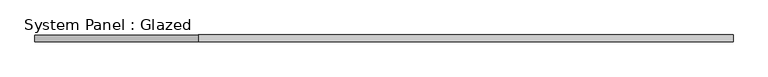
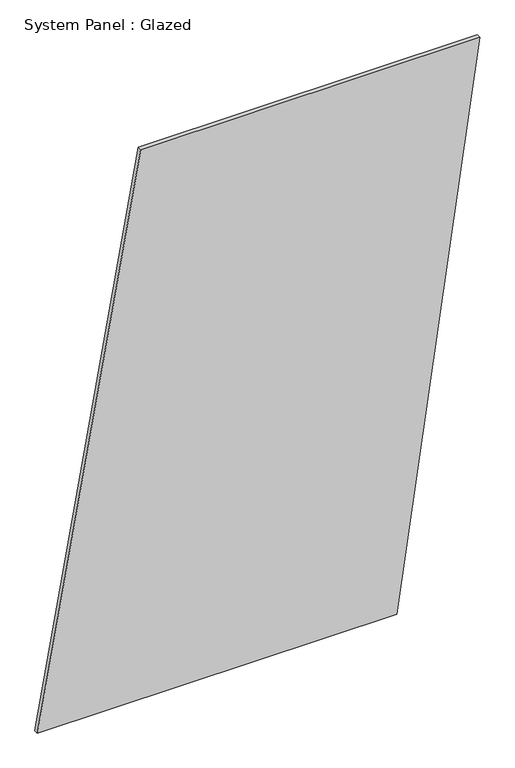
"""IFC4 building model written with IfcOpenShell, lengths in millimetres: plate geometry, System Panel : Glazed."""

from ifc_helpers import new_model, si_unit, frame, origin, place, context, project, spatial, polyline, outline, extrude, source, transform, mapped, element, save


def system_panel_glazed_4a35cd81(model_context):
    return source(origin(), model_context, "Body", "SweptSolid", [
        extrude(outline(polyline([(0.0, -1269.7583956), (0.0, 795.1226019), (3334.8902684, 1269.7583956), (3334.8902684, -676.4636535), (0.0, -1269.7583956)])), frame((0.0, -49.5, 0.0), z_axis=(0.0, 1.0, 0.0), x_axis=(0.0, 0.0, 1.0)), (0.0, 0.0, 1.0), 25.0),
    ])


if __name__ == "__main__":
    model = new_model("IFC4")
    model_context = context("Model", 3, world=origin())
    ifc_project = project(units=[si_unit("LENGTHUNIT", "METRE", prefix="MILLI")], contexts=[model_context])
    site = spatial("IfcSite", under=ifc_project)
    building = spatial("IfcBuilding", under=site)
    placement = place(None, origin())
    system_panel_glazed_shape = system_panel_glazed_4a35cd81(model_context)
    element("IfcPlate", 1, ObjectType="System Panel : Glazed", at=placement, inside=building, context=model_context, shape_type="MappedRepresentation", body=[
        mapped(system_panel_glazed_shape, transform((0.0, 0.0, 0.0), x_axis=(1.0, 0.0, 0.0), y_axis=(0.0, 1.0, 0.0), z_axis=(0.0, 0.0, 1.0))),
    ])
    save(model, "model.ifc")
